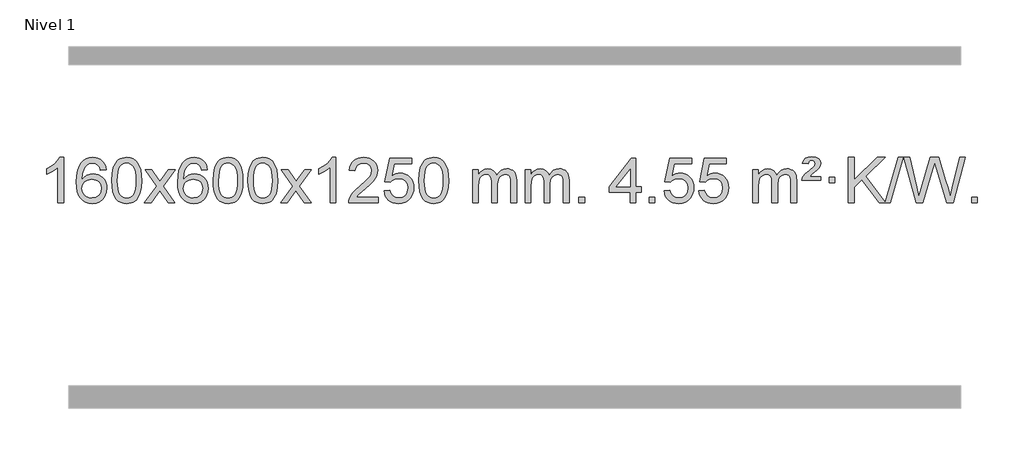
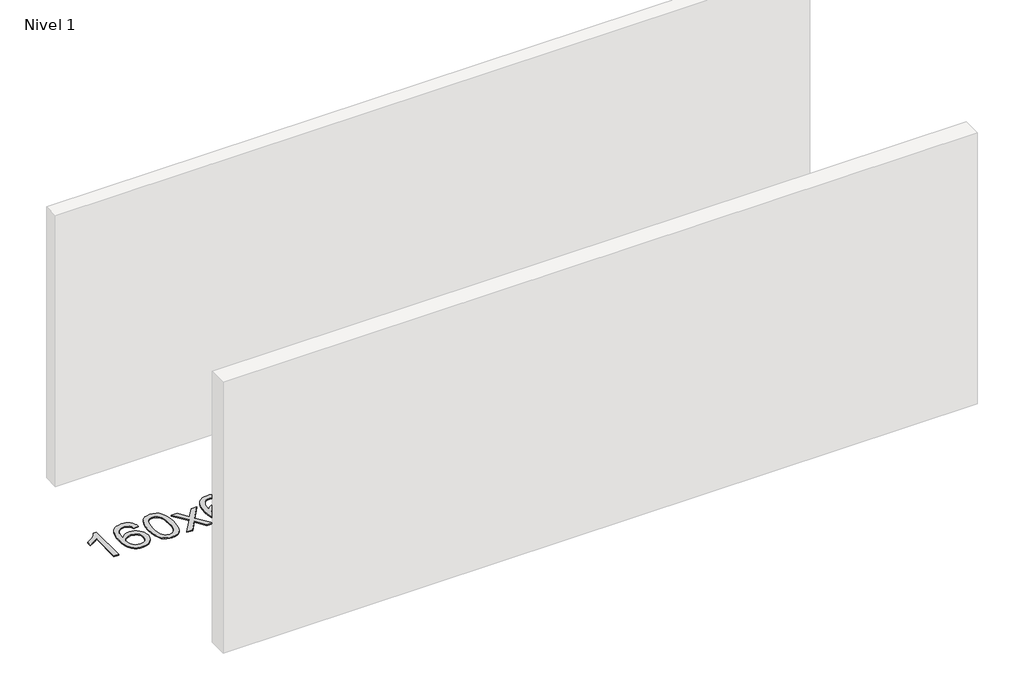
# One storey, part 4 of 12: 1 proxy.
"""IFC4 building model written with IfcOpenShell, lengths in millimetres."""

from ifc_helpers import new_model, si_unit, origin, origin_with_axes, place, context, project, spatial, polyline, outline, extrude, element, save

model = new_model("IFC4")

# Units and contexts
model_context = context("Model", 3, world=origin())
ifc_project = project(units=[si_unit("LENGTHUNIT", "METRE", prefix="MILLI")], contexts=[model_context])

# Site, building, storey
site = spatial("IfcSite", under=ifc_project)
building = spatial("IfcBuilding", under=site)
storey = spatial("IfcBuildingStorey", under=building, Name="Nivel 1", Elevation=0.0)

# Proxy
placement = place(None, origin())
element("IfcBuildingElementProxy", 1, Name="Texto de modelo 1", ObjectType="Texto de modelo 1", at=placement, inside=storey, context=model_context, shape_type="SweptSolid", body=[
    extrude(outline(polyline([(-6575.4615788, -21411.579453), (-6625.6897338, -21411.579453), (-6625.6897338, -21098.4382987), (-6646.6590076, -21115.3976587), (-6673.2691385, -21132.3324932), (-6726.146044, -21157.6918254), (-6726.146044, -21110.2105225), (-6686.6968314, -21088.7507395), (-6652.520594, -21063.219729), (-6625.5793692, -21036.0700378), (-6607.8351943, -21009.7542124), (-6575.4615788, -21009.7542124), (-6575.4615788, -21411.579453)])), origin_with_axes(), (0.0, 0.0, 1.0), 10.0),
    extrude(outline(polyline([(-6198.7504157, -21116.4890419), (-6248.9785708, -21122.7675613), (-6257.0719747, -21097.874213), (-6268.0103327, -21080.8780648), (-6290.7944909, -21065.2062918), (-6318.3365896, -21059.9823675), (-6341.6848336, -21063.0235253), (-6363.6596514, -21072.1469988), (-6382.5319978, -21091.3627017), (-6397.9462534, -21117.8134171), (-6408.3573138, -21155.227016), (-6412.2200748, -21207.3313693), (-6392.0724042, -21183.8237098), (-6367.9270826, -21167.2567573), (-6341.1330106, -21157.434308), (-6313.0390889, -21154.1601582), (-6288.90603, -21156.398107), (-6266.6369065, -21163.1119534), (-6246.2317185, -21174.3016975), (-6227.690466, -21189.9673391), (-6212.2823418, -21209.1769106), (-6201.2765387, -21230.9984443), (-6194.6730569, -21255.4319401), (-6192.4718963, -21282.4773982), (-6196.6167001, -21318.4439945), (-6209.0511116, -21351.786366), (-6228.745061, -21380.0642287), (-6254.668479, -21400.8372987), (-6285.644143, -21413.602804), (-6320.4948306, -21417.8579724), (-6350.4373594, -21415.0375437), (-6377.4797517, -21406.5762579), (-6401.6220076, -21392.4741147), (-6422.8641272, -21372.7311143), (-6440.1821721, -21346.5133908), (-6452.5522042, -21312.9870783), (-6459.9742234, -21272.1521768), (-6462.4482298, -21224.0086864), (-6459.7013776, -21170.0342663), (-6451.4608209, -21123.9693092), (-6437.7265598, -21085.8138149), (-6418.4985942, -21055.5677835), (-6397.6580791, -21035.5243462), (-6373.4943634, -21021.2076052), (-6346.007447, -21012.6175606), (-6315.1973299, -21009.7542124), (-6292.0636838, -21011.5261773), (-6271.1250669, -21016.8420722), (-6252.3814792, -21025.7018969), (-6235.8329208, -21038.1056515), (-6221.9269814, -21053.6364031), (-6211.1112507, -21071.8772186), (-6203.3857288, -21092.8280983), (-6198.7504157, -21116.4890419)]), holes=[polyline([(-6412.2200748, -21281.6925832), (-6409.313807, -21303.9494439), (-6400.5950037, -21325.2007605), (-6387.0569463, -21343.472233), (-6369.6929161, -21356.7895612), (-6348.7359051, -21364.9197533), (-6324.4189053, -21367.6298173), (-6291.2727375, -21362.0134855), (-6277.357601, -21354.9930708), (-6265.2144295, -21345.1644901), (-6255.3643891, -21332.9262824), (-6248.3286459, -21318.6769865), (-6242.7000514, -21284.1451299), (-6248.2550695, -21250.9989621), (-6255.1988422, -21237.3781312), (-6264.9201239, -21225.725469), (-6277.1000836, -21216.3904634), (-6291.4198903, -21209.7226022), (-6326.4790444, -21204.3883133), (-6359.5761613, -21209.7226022), (-6387.25315, -21225.725469), (-6398.1761796, -21237.2248471), (-6405.9783436, -21250.3858254), (-6410.659642, -21265.2084042), (-6412.2200748, -21281.6925832)])]), origin_with_axes(), (0.0, 0.0, 1.0), 10.0),
    extrude(outline(polyline([(-6148.5222606, -21213.9041943), (-6144.8311779, -21149.5861588), (-6133.7579299, -21098.2911459), (-6115.4128811, -21059.2343407), (-6103.5548181, -21044.0009605), (-6089.9063961, -21031.6309284), (-6074.4216298, -21022.0598651), (-6057.0545339, -21015.2233914), (-6016.6733536, -21009.7542124), (-5985.722215, -21012.991574), (-5958.0084381, -21022.7036586), (-5934.8318724, -21038.5103217), (-5917.4923677, -21060.0314184), (-5904.3957686, -21087.0830078), (-5893.94792, -21119.4811488), (-5887.1053149, -21160.6226186), (-5884.8244465, -21213.9041943), (-5888.478741, -21277.8543477), (-5899.4416244, -21329.0267333), (-5917.6763087, -21368.1203266), (-5929.5067805, -21383.3996922), (-5943.1460055, -21395.8341036), (-5958.6491659, -21405.4695462), (-5976.071444, -21412.3520052), (-6016.6733536, -21417.8579724), (-6044.3380796, -21415.4667394), (-6068.8635459, -21408.2930405), (-6090.2497526, -21396.3368757), (-6108.4966996, -21379.5982449), (-6126.0078825, -21349.3399508), (-6138.5158704, -21311.6381776), (-6146.0206631, -21266.4929255), (-6148.5222606, -21213.9041943)]), holes=[polyline([(-6098.2941056, -21213.8060924), (-6096.8225776, -21257.4706195), (-6092.4079936, -21292.8148822), (-6085.0503537, -21319.8388804), (-6074.7496579, -21338.5426142), (-6062.290721, -21351.2682656), (-6048.4583579, -21360.3580165), (-6033.2525688, -21365.8118671), (-6016.6733536, -21367.6298173), (-6000.0941383, -21365.8057357), (-5984.8883492, -21360.3334911), (-5971.0559862, -21351.2130833), (-5958.5970493, -21338.4445124), (-5948.2963534, -21319.7101217), (-5940.9387135, -21292.6922549), (-5936.5241295, -21257.3909118), (-5935.0526016, -21213.8060924), (-5936.4750786, -21171.2973278), (-5940.7425098, -21136.5753989), (-5947.854895, -21109.6403055), (-5957.8122343, -21090.4920476), (-5970.0627048, -21077.1440625), (-5984.0544833, -21067.6097875), (-5999.78757, -21061.8892225), (-6017.2619648, -21059.9823675), (-6033.7553409, -21061.6623619), (-6048.7036126, -21066.7023452), (-6062.10678, -21075.1023175), (-6073.9648429, -21086.8622786), (-6084.6088953, -21107.708925), (-6092.2117899, -21135.8151094), (-6096.7735266, -21171.1808319), (-6098.2941056, -21213.8060924)])]), origin_with_axes(), (0.0, 0.0, 1.0), 10.0),
    extrude(outline(polyline([(-5859.7103689, -21411.579453), (-5752.3869282, -21263.2494325), (-5853.4318496, -21116.4890419), (-5793.0011005, -21116.4890419), (-5744.2444734, -21187.122385), (-5721.4848406, -21220.4770192), (-5701.7663657, -21193.2047007), (-5646.2407099, -21116.4890419), (-5585.8099608, -21116.4890419), (-5691.9561791, -21263.2494325), (-5589.7340354, -21411.579453), (-5650.1647845, -21411.579453), (-5711.6746541, -21322.4048574), (-5722.9563686, -21306.1199477), (-5799.2796199, -21411.579453), (-5859.7103689, -21411.579453)])), origin_with_axes(), (0.0, 0.0, 1.0), 10.0),
    extrude(outline(polyline([(-5300.9221437, -21116.4890419), (-5351.1502988, -21122.7675613), (-5359.2437027, -21097.874213), (-5370.1820607, -21080.8780648), (-5392.9662189, -21065.2062918), (-5420.5083176, -21059.9823675), (-5443.8565616, -21063.0235253), (-5465.8313794, -21072.1469988), (-5484.7037258, -21091.3627017), (-5500.1179814, -21117.8134171), (-5510.5290419, -21155.227016), (-5514.3918028, -21207.3313693), (-5494.2441322, -21183.8237098), (-5470.0988106, -21167.2567573), (-5443.3047386, -21157.434308), (-5415.2108169, -21154.1601582), (-5391.077758, -21156.398107), (-5368.8086346, -21163.1119534), (-5348.4034466, -21174.3016975), (-5329.862194, -21189.9673391), (-5314.4540698, -21209.1769106), (-5303.4482668, -21230.9984443), (-5296.844785, -21255.4319401), (-5294.6436244, -21282.4773982), (-5298.7884282, -21318.4439945), (-5311.2228396, -21351.786366), (-5330.9167891, -21380.0642287), (-5356.840207, -21400.8372987), (-5387.815871, -21413.602804), (-5422.6665587, -21417.8579724), (-5452.6090874, -21415.0375437), (-5479.6514797, -21406.5762579), (-5503.7937357, -21392.4741147), (-5525.0358552, -21372.7311143), (-5542.3539001, -21346.5133908), (-5554.7239322, -21312.9870783), (-5562.1459515, -21272.1521768), (-5564.6199579, -21224.0086864), (-5561.8731057, -21170.0342663), (-5553.632549, -21123.9693092), (-5539.8982878, -21085.8138149), (-5520.6703222, -21055.5677835), (-5499.8298072, -21035.5243462), (-5475.6660915, -21021.2076052), (-5448.179175, -21012.6175606), (-5417.3690579, -21009.7542124), (-5394.2354118, -21011.5261773), (-5373.2967949, -21016.8420722), (-5354.5532073, -21025.7018969), (-5338.0046489, -21038.1056515), (-5324.0987094, -21053.6364031), (-5313.2829788, -21071.8772186), (-5305.5574569, -21092.8280983), (-5300.9221437, -21116.4890419)]), holes=[polyline([(-5514.3918028, -21281.6925832), (-5511.485535, -21303.9494439), (-5502.7667318, -21325.2007605), (-5489.2286743, -21343.472233), (-5471.8646442, -21356.7895612), (-5450.9076332, -21364.9197533), (-5426.5906333, -21367.6298173), (-5393.4444655, -21362.0134855), (-5379.5293291, -21354.9930708), (-5367.3861575, -21345.1644901), (-5357.5361171, -21332.9262824), (-5350.500374, -21318.6769865), (-5344.8717794, -21284.1451299), (-5350.4267976, -21250.9989621), (-5357.3705702, -21237.3781312), (-5367.0918519, -21225.725469), (-5379.2718117, -21216.3904634), (-5393.5916183, -21209.7226022), (-5428.6507725, -21204.3883133), (-5461.7478893, -21209.7226022), (-5489.4248781, -21225.725469), (-5500.3479076, -21237.2248471), (-5508.1500716, -21250.3858254), (-5512.83137, -21265.2084042), (-5514.3918028, -21281.6925832)])]), origin_with_axes(), (0.0, 0.0, 1.0), 10.0),
    extrude(outline(polyline([(-5250.6939887, -21213.9041943), (-5247.002906, -21149.5861588), (-5235.9296579, -21098.2911459), (-5217.5846091, -21059.2343407), (-5205.7265461, -21044.0009605), (-5192.0781241, -21031.6309284), (-5176.5933578, -21022.0598651), (-5159.2262619, -21015.2233914), (-5118.8450816, -21009.7542124), (-5087.8939431, -21012.991574), (-5060.1801661, -21022.7036586), (-5037.0036004, -21038.5103217), (-5019.6640957, -21060.0314184), (-5006.5674967, -21087.0830078), (-4996.119648, -21119.4811488), (-4989.2770429, -21160.6226186), (-4986.9961745, -21213.9041943), (-4990.650469, -21277.8543477), (-5001.6133525, -21329.0267333), (-5019.8480367, -21368.1203266), (-5031.6785085, -21383.3996922), (-5045.3177335, -21395.8341036), (-5060.8208939, -21405.4695462), (-5078.2431721, -21412.3520052), (-5118.8450816, -21417.8579724), (-5146.5098076, -21415.4667394), (-5171.035274, -21408.2930405), (-5192.4214806, -21396.3368757), (-5210.6684276, -21379.5982449), (-5228.1796106, -21349.3399508), (-5240.6875984, -21311.6381776), (-5248.1923911, -21266.4929255), (-5250.6939887, -21213.9041943)]), holes=[polyline([(-5200.4658336, -21213.8060924), (-5198.9943056, -21257.4706195), (-5194.5797217, -21292.8148822), (-5187.2220818, -21319.8388804), (-5176.9213859, -21338.5426142), (-5164.462449, -21351.2682656), (-5150.630086, -21360.3580165), (-5135.4242968, -21365.8118671), (-5118.8450816, -21367.6298173), (-5102.2658663, -21365.8057357), (-5087.0600772, -21360.3334911), (-5073.2277142, -21351.2130833), (-5060.7687773, -21338.4445124), (-5050.4680814, -21319.7101217), (-5043.1104415, -21292.6922549), (-5038.6958576, -21257.3909118), (-5037.2243296, -21213.8060924), (-5038.6468066, -21171.2973278), (-5042.9142378, -21136.5753989), (-5050.026623, -21109.6403055), (-5059.9839624, -21090.4920476), (-5072.2344328, -21077.1440625), (-5086.2262114, -21067.6097875), (-5101.959298, -21061.8892225), (-5119.4336928, -21059.9823675), (-5135.9270689, -21061.6623619), (-5150.8753406, -21066.7023452), (-5164.278508, -21075.1023175), (-5176.136571, -21086.8622786), (-5186.7806234, -21107.708925), (-5194.3835179, -21135.8151094), (-5198.9452547, -21171.1808319), (-5200.4658336, -21213.8060924)])]), origin_with_axes(), (0.0, 0.0, 1.0), 10.0),
    extrude(outline(polyline([(-4943.0465388, -21213.9041943), (-4939.3554561, -21149.5861588), (-4928.2822081, -21098.2911459), (-4909.9371593, -21059.2343407), (-4898.0790963, -21044.0009605), (-4884.4306743, -21031.6309284), (-4868.945908, -21022.0598651), (-4851.5788121, -21015.2233914), (-4811.1976318, -21009.7542124), (-4780.2464932, -21012.991574), (-4752.5327163, -21022.7036586), (-4729.3561506, -21038.5103217), (-4712.0166459, -21060.0314184), (-4698.9200468, -21087.0830078), (-4688.4721982, -21119.4811488), (-4681.6295931, -21160.6226186), (-4679.3487247, -21213.9041943), (-4683.0030192, -21277.8543477), (-4693.9659026, -21329.0267333), (-4712.2005869, -21368.1203266), (-4724.0310587, -21383.3996922), (-4737.6702837, -21395.8341036), (-4753.1734441, -21405.4695462), (-4770.5957222, -21412.3520052), (-4811.1976318, -21417.8579724), (-4838.8623578, -21415.4667394), (-4863.3878241, -21408.2930405), (-4884.7740308, -21396.3368757), (-4903.0209778, -21379.5982449), (-4920.5321607, -21349.3399508), (-4933.0401486, -21311.6381776), (-4940.5449413, -21266.4929255), (-4943.0465388, -21213.9041943)]), holes=[polyline([(-4892.8183838, -21213.8060924), (-4891.3468558, -21257.4706195), (-4886.9322718, -21292.8148822), (-4879.5746319, -21319.8388804), (-4869.2739361, -21338.5426142), (-4856.8149992, -21351.2682656), (-4842.9826361, -21360.3580165), (-4827.776847, -21365.8118671), (-4811.1976318, -21367.6298173), (-4794.6184165, -21365.8057357), (-4779.4126274, -21360.3334911), (-4765.5802644, -21351.2130833), (-4753.1213275, -21338.4445124), (-4742.8206316, -21319.7101217), (-4735.4629917, -21292.6922549), (-4731.0484077, -21257.3909118), (-4729.5768798, -21213.8060924), (-4730.9993568, -21171.2973278), (-4735.266788, -21136.5753989), (-4742.3791732, -21109.6403055), (-4752.3365125, -21090.4920476), (-4764.586983, -21077.1440625), (-4778.5787615, -21067.6097875), (-4794.3118482, -21061.8892225), (-4811.786243, -21059.9823675), (-4828.2796191, -21061.6623619), (-4843.2278908, -21066.7023452), (-4856.6310582, -21075.1023175), (-4868.4891211, -21086.8622786), (-4879.1331735, -21107.708925), (-4886.7360681, -21135.8151094), (-4891.2978048, -21171.1808319), (-4892.8183838, -21213.8060924)])]), origin_with_axes(), (0.0, 0.0, 1.0), 10.0),
    extrude(outline(polyline([(-4654.2346472, -21411.579453), (-4546.9112064, -21263.2494325), (-4647.9561278, -21116.4890419), (-4587.5253787, -21116.4890419), (-4538.7687516, -21187.122385), (-4516.0091188, -21220.4770192), (-4496.2906439, -21193.2047007), (-4440.7649881, -21116.4890419), (-4380.334239, -21116.4890419), (-4486.4804574, -21263.2494325), (-4384.2583136, -21411.579453), (-4444.6890627, -21411.579453), (-4506.1989323, -21322.4048574), (-4517.4806468, -21306.1199477), (-4593.8038981, -21411.579453), (-4654.2346472, -21411.579453)])), origin_with_axes(), (0.0, 0.0, 1.0), 10.0),
    extrude(outline(polyline([(-4164.5101352, -21411.579453), (-4214.7382902, -21411.579453), (-4214.7382902, -21098.4382987), (-4235.707564, -21115.3976587), (-4262.317695, -21132.3324932), (-4315.1946004, -21157.6918254), (-4315.1946004, -21110.2105225), (-4275.7453878, -21088.7507395), (-4241.5691504, -21063.219729), (-4214.6279257, -21036.0700378), (-4196.8837508, -21009.7542124), (-4164.5101352, -21009.7542124), (-4164.5101352, -21411.579453)])), origin_with_axes(), (0.0, 0.0, 1.0), 10.0),
    extrude(outline(polyline([(-3787.7989721, -21361.3512979), (-3787.7989721, -21411.579453), (-4051.4967863, -21411.579453), (-4050.3931403, -21393.8965918), (-4046.1011837, -21376.9494945), (-4033.7158232, -21349.8856424), (-4015.5915035, -21323.6311307), (-3989.37378, -21296.1503456), (-3952.7082078, -21265.4076736), (-3898.5069272, -21217.2641831), (-3865.9861588, -21181.7267824), (-3849.7257746, -21152.884834), (-3844.3056466, -21124.8277005), (-3849.4192063, -21099.6768347), (-3864.7598855, -21078.7688747), (-3888.3411214, -21064.6789943), (-3918.1763512, -21059.9823675), (-3949.5076345, -21064.5686297), (-3973.8491598, -21078.3274163), (-3989.557721, -21100.1796068), (-3994.9901118, -21129.0460807), (-4045.2182669, -21122.7675613), (-4040.8987191, -21096.838012), (-4033.0413728, -21074.1826125), (-4021.646228, -21054.8013627), (-4006.7132847, -21038.6942627), (-3988.5858994, -21026.0329907), (-3967.6074286, -21016.989225), (-3943.7778724, -21011.5629655), (-3917.0972307, -21009.7542124), (-3890.1774657, -21011.7653006), (-3866.2191508, -21017.7985654), (-3845.2222859, -21027.8540066), (-3827.1868711, -21041.9316242), (-3812.7015175, -21058.9890861), (-3802.3548364, -21077.9840598), (-3796.1468277, -21098.9165453), (-3794.0774915, -21121.7865427), (-3796.3093089, -21145.8092369), (-3803.0047612, -21169.4149983), (-3814.8873497, -21193.4254299), (-3832.6805755, -21218.6621347), (-3861.0442774, -21248.7916701), (-3904.6382938, -21287.4805933), (-3962.4202925, -21335.795762), (-3985.0818234, -21361.3512979), (-3787.7989721, -21361.3512979)])), origin_with_axes(), (0.0, 0.0, 1.0), 10.0),
    extrude(outline(polyline([(-3737.570817, -21304.8446235), (-3687.342662, -21298.5661041), (-3678.1210866, -21328.7201649), (-3662.0323807, -21350.3148381), (-3639.1501206, -21363.3010725), (-3609.5478827, -21367.6298173), (-3590.418019, -21366.1245668), (-3573.5444981, -21361.6088153), (-3558.9273202, -21354.0825628), (-3546.5664851, -21343.5458094), (-3536.7379045, -21330.519721), (-3529.7174898, -21315.5254641), (-3524.101158, -21279.6324441), (-3529.3618705, -21245.8363514), (-3535.9377612, -21231.9181493), (-3545.1440081, -21219.9865099), (-3557.0112681, -21210.4154467), (-3571.5701981, -21203.5789729), (-3608.7630678, -21198.1097939), (-3633.1291186, -21200.2925604), (-3652.8598563, -21206.8408599), (-3668.6174684, -21216.8717757), (-3681.0641426, -21229.5023908), (-3731.2922977, -21223.2238715), (-3687.342662, -21016.0327318), (-3492.708561, -21016.0327318), (-3492.708561, -21066.2608869), (-3646.7284897, -21066.2608869), (-3668.2127982, -21176.919791), (-3650.4870174, -21164.2155994), (-3632.332041, -21155.1411769), (-3613.7478688, -21149.6965234), (-3594.734501, -21147.8816388), (-3570.273414, -21150.1318504), (-3547.8050212, -21156.882485), (-3527.3293225, -21168.1335427), (-3508.8463179, -21183.8850234), (-3493.5454926, -21203.1743027), (-3482.6163316, -21225.038756), (-3476.0588351, -21249.4783832), (-3473.8730029, -21276.4931844), (-3475.8411716, -21302.5147042), (-3481.7456776, -21326.7213394), (-3491.586521, -21349.1130902), (-3505.3637017, -21369.6899565), (-3526.2348735, -21390.7634634), (-3550.5886616, -21405.8159684), (-3578.4250659, -21414.8474714), (-3609.7440864, -21417.8579724), (-3635.6644387, -21415.9235262), (-3659.077062, -21410.1201877), (-3679.9819564, -21400.447957), (-3698.3791218, -21386.9068338), (-3713.6860785, -21370.1712688), (-3725.3203466, -21350.915712), (-3733.2819261, -21329.1401636), (-3737.570817, -21304.8446235)])), origin_with_axes(), (0.0, 0.0, 1.0), 10.0),
    extrude(outline(polyline([(-3429.9233672, -21213.9041943), (-3426.2322845, -21149.5861588), (-3415.1590365, -21098.2911459), (-3396.8139876, -21059.2343407), (-3384.9559247, -21044.0009605), (-3371.3075026, -21031.6309284), (-3355.8227363, -21022.0598651), (-3338.4556405, -21015.2233914), (-3298.0744601, -21009.7542124), (-3267.1233216, -21012.991574), (-3239.4095446, -21022.7036586), (-3216.2329789, -21038.5103217), (-3198.8934742, -21060.0314184), (-3185.7968752, -21087.0830078), (-3175.3490265, -21119.4811488), (-3168.5064214, -21160.6226186), (-3166.2255531, -21213.9041943), (-3169.8798475, -21277.8543477), (-3180.842731, -21329.0267333), (-3199.0774152, -21368.1203266), (-3210.9078871, -21383.3996922), (-3224.547112, -21395.8341036), (-3240.0502724, -21405.4695462), (-3257.4725506, -21412.3520052), (-3298.0744601, -21417.8579724), (-3325.7391862, -21415.4667394), (-3350.2646525, -21408.2930405), (-3371.6508592, -21396.3368757), (-3389.8978061, -21379.5982449), (-3407.4089891, -21349.3399508), (-3419.9169769, -21311.6381776), (-3427.4217696, -21266.4929255), (-3429.9233672, -21213.9041943)]), holes=[polyline([(-3379.6952121, -21213.8060924), (-3378.2236842, -21257.4706195), (-3373.8091002, -21292.8148822), (-3366.4514603, -21319.8388804), (-3356.1507644, -21338.5426142), (-3343.6918275, -21351.2682656), (-3329.8594645, -21360.3580165), (-3314.6536754, -21365.8118671), (-3298.0744601, -21367.6298173), (-3281.4952449, -21365.8057357), (-3266.2894558, -21360.3334911), (-3252.4570927, -21351.2130833), (-3239.9981558, -21338.4445124), (-3229.69746, -21319.7101217), (-3222.3398201, -21292.6922549), (-3217.9252361, -21257.3909118), (-3216.4537081, -21213.8060924), (-3217.8761852, -21171.2973278), (-3222.1436163, -21136.5753989), (-3229.2560016, -21109.6403055), (-3239.2133409, -21090.4920476), (-3251.4638113, -21077.1440625), (-3265.4555899, -21067.6097875), (-3281.1886766, -21061.8892225), (-3298.6630713, -21059.9823675), (-3315.1564474, -21061.6623619), (-3330.1047192, -21066.7023452), (-3343.5078865, -21075.1023175), (-3355.3659495, -21086.8622786), (-3366.0100019, -21107.708925), (-3373.6128965, -21135.8151094), (-3378.1746332, -21171.1808319), (-3379.6952121, -21213.8060924)])]), origin_with_axes(), (0.0, 0.0, 1.0), 10.0),
    extrude(outline(polyline([(-2952.755894, -21411.579453), (-2952.755894, -21116.4890419), (-2902.5277389, -21116.4890419), (-2902.5277389, -21165.0494653), (-2887.4200517, -21142.7435537), (-2867.9958823, -21125.2691589), (-2844.9174185, -21113.9751816), (-2818.8468478, -21110.2105225), (-2790.9123416, -21114.048758), (-2768.5205908, -21125.5634645), (-2751.7942228, -21143.9943524), (-2740.8558648, -21168.5811324), (-2722.5476041, -21143.0439906), (-2701.6641696, -21124.803175), (-2678.205561, -21113.8586857), (-2652.1717785, -21110.2105225), (-2632.0639617, -21111.7280358), (-2614.414823, -21116.2805755), (-2599.2243623, -21123.8681416), (-2586.4925796, -21134.4907342), (-2576.4279413, -21148.2709806), (-2569.238914, -21165.3315082), (-2564.9254976, -21185.6723168), (-2563.4876922, -21209.2934066), (-2563.4876922, -21411.579453), (-2613.7158472, -21411.579453), (-2613.7158472, -21230.875817), (-2614.8808069, -21205.8230531), (-2618.3756858, -21188.9372695), (-2624.9239854, -21177.3735121), (-2635.2492067, -21168.2868268), (-2648.5297467, -21162.4007149), (-2663.9440023, -21160.4386776), (-2691.1550072, -21165.4663982), (-2713.3382915, -21180.54956), (-2721.9436645, -21192.1194488), (-2728.0903595, -21206.7182326), (-2733.0077155, -21245.0024856), (-2733.0077155, -21411.579453), (-2783.2358706, -21411.579453), (-2783.2358706, -21225.2840106), (-2786.1421384, -21196.8835206), (-2794.8609417, -21176.6254854), (-2810.2016209, -21164.4853796), (-2832.9735164, -21160.4386776), (-2852.3241093, -21163.1364789), (-2870.1541233, -21171.2298828), (-2884.8694032, -21184.5226856), (-2894.8757934, -21202.8186835), (-2900.6147525, -21228.2025411), (-2902.5277389, -21262.7589232), (-2902.5277389, -21411.579453), (-2952.755894, -21411.579453)])), origin_with_axes(), (0.0, 0.0, 1.0), 10.0),
    extrude(outline(polyline([(-2488.1454596, -21411.579453), (-2488.1454596, -21116.4890419), (-2437.9173045, -21116.4890419), (-2437.9173045, -21165.0494653), (-2422.8096172, -21142.7435537), (-2403.3854479, -21125.2691589), (-2380.306984, -21113.9751816), (-2354.2364133, -21110.2105225), (-2326.3019071, -21114.048758), (-2303.9101564, -21125.5634645), (-2287.1837883, -21143.9943524), (-2276.2454303, -21168.5811324), (-2257.9371697, -21143.0439906), (-2237.0537351, -21124.803175), (-2213.5951266, -21113.8586857), (-2187.561344, -21110.2105225), (-2167.4535273, -21111.7280358), (-2149.8043886, -21116.2805755), (-2134.6139279, -21123.8681416), (-2121.8821452, -21134.4907342), (-2111.8175069, -21148.2709806), (-2104.6284796, -21165.3315082), (-2100.3150632, -21185.6723168), (-2098.8772577, -21209.2934066), (-2098.8772577, -21411.579453), (-2149.1054128, -21411.579453), (-2149.1054128, -21230.875817), (-2150.2703724, -21205.8230531), (-2153.7652514, -21188.9372695), (-2160.3135509, -21177.3735121), (-2170.6387722, -21168.2868268), (-2183.9193123, -21162.4007149), (-2199.3335679, -21160.4386776), (-2226.5445728, -21165.4663982), (-2248.7278571, -21180.54956), (-2257.3332301, -21192.1194488), (-2263.4799251, -21206.7182326), (-2268.3972811, -21245.0024856), (-2268.3972811, -21411.579453), (-2318.6254362, -21411.579453), (-2318.6254362, -21225.2840106), (-2321.5317039, -21196.8835206), (-2330.2505072, -21176.6254854), (-2345.5911864, -21164.4853796), (-2368.3630819, -21160.4386776), (-2387.7136749, -21163.1364789), (-2405.5436889, -21171.2298828), (-2420.2589687, -21184.5226856), (-2430.265359, -21202.8186835), (-2436.0043181, -21228.2025411), (-2437.9173045, -21262.7589232), (-2437.9173045, -21411.579453), (-2488.1454596, -21411.579453)])), origin_with_axes(), (0.0, 0.0, 1.0), 10.0),
    extrude(outline(polyline([(-2010.9779863, -21411.579453), (-2010.9779863, -21361.3512979), (-1960.7498313, -21361.3512979), (-1960.7498313, -21411.579453), (-2010.9779863, -21411.579453)])), origin_with_axes(), (0.0, 0.0, 1.0), 10.0),
    extrude(outline(polyline([(-1558.9245907, -21411.579453), (-1558.9245907, -21317.4016622), (-1741.0016528, -21317.4016622), (-1741.0016528, -21267.1735072), (-1546.3675519, -21016.0327318), (-1508.6964356, -21016.0327318), (-1508.6964356, -21267.1735072), (-1458.4682805, -21267.1735072), (-1458.4682805, -21317.4016622), (-1508.6964356, -21317.4016622), (-1508.6964356, -21411.579453), (-1558.9245907, -21411.579453)]), holes=[polyline([(-1558.9245907, -21267.1735072), (-1558.9245907, -21111.9763561), (-1679.1974776, -21267.1735072), (-1558.9245907, -21267.1735072)])]), origin_with_axes(), (0.0, 0.0, 1.0), 10.0),
    extrude(outline(polyline([(-1389.4045673, -21411.579453), (-1389.4045673, -21361.3512979), (-1339.1764122, -21361.3512979), (-1339.1764122, -21411.579453), (-1389.4045673, -21411.579453)])), origin_with_axes(), (0.0, 0.0, 1.0), 10.0),
    extrude(outline(polyline([(-1257.5556602, -21304.8446235), (-1207.3275051, -21298.5661041), (-1198.1059298, -21328.7201649), (-1182.0172239, -21350.3148381), (-1159.1349638, -21363.3010725), (-1129.5327259, -21367.6298173), (-1110.4028621, -21366.1245668), (-1093.5293413, -21361.6088153), (-1078.9121634, -21354.0825628), (-1066.5513283, -21343.5458094), (-1056.7227477, -21330.519721), (-1049.7023329, -21315.5254641), (-1044.0860012, -21279.6324441), (-1049.3467137, -21245.8363514), (-1055.9226043, -21231.9181493), (-1065.1288513, -21219.9865099), (-1076.9961113, -21210.4154467), (-1091.5550413, -21203.5789729), (-1128.747911, -21198.1097939), (-1153.1139618, -21200.2925604), (-1172.8446995, -21206.8408599), (-1188.6023116, -21216.8717757), (-1201.0489858, -21229.5023908), (-1251.2771408, -21223.2238715), (-1207.3275051, -21016.0327318), (-1012.6934042, -21016.0327318), (-1012.6934042, -21066.2608869), (-1166.7133329, -21066.2608869), (-1188.1976414, -21176.919791), (-1170.4718606, -21164.2155994), (-1152.3168841, -21155.1411769), (-1133.732712, -21149.6965234), (-1114.7193442, -21147.8816388), (-1090.2582572, -21150.1318504), (-1067.7898644, -21156.882485), (-1047.3141657, -21168.1335427), (-1028.8311611, -21183.8850234), (-1013.5303358, -21203.1743027), (-1002.6011748, -21225.038756), (-996.0436783, -21249.4783832), (-993.8578461, -21276.4931844), (-995.8260148, -21302.5147042), (-1001.7305208, -21326.7213394), (-1011.5713641, -21349.1130902), (-1025.3485449, -21369.6899565), (-1046.2197167, -21390.7634634), (-1070.5735048, -21405.8159684), (-1098.4099091, -21414.8474714), (-1129.7289296, -21417.8579724), (-1155.6492819, -21415.9235262), (-1179.0619052, -21410.1201877), (-1199.9667996, -21400.447957), (-1218.363965, -21386.9068338), (-1233.6709217, -21370.1712688), (-1245.3051898, -21350.915712), (-1253.2667693, -21329.1401636), (-1257.5556602, -21304.8446235)])), origin_with_axes(), (0.0, 0.0, 1.0), 10.0),
    extrude(outline(polyline([(-949.9082104, -21304.8446235), (-899.6800553, -21298.5661041), (-890.45848, -21328.7201649), (-874.369774, -21350.3148381), (-851.4875139, -21363.3010725), (-821.8852761, -21367.6298173), (-802.7554123, -21366.1245668), (-785.8818915, -21361.6088153), (-771.2647135, -21354.0825628), (-758.9038785, -21343.5458094), (-749.0752979, -21330.519721), (-742.0548831, -21315.5254641), (-736.4385513, -21279.6324441), (-741.6992639, -21245.8363514), (-748.2751545, -21231.9181493), (-757.4814014, -21219.9865099), (-769.3486615, -21210.4154467), (-783.9075914, -21203.5789729), (-821.1004611, -21198.1097939), (-845.466512, -21200.2925604), (-865.1972496, -21206.8408599), (-880.9548618, -21216.8717757), (-893.4015359, -21229.5023908), (-943.629691, -21223.2238715), (-899.6800553, -21016.0327318), (-705.0459544, -21016.0327318), (-705.0459544, -21066.2608869), (-859.065883, -21066.2608869), (-880.5501916, -21176.919791), (-862.8244108, -21164.2155994), (-844.6694343, -21155.1411769), (-826.0852622, -21149.6965234), (-807.0718944, -21147.8816388), (-782.6108074, -21150.1318504), (-760.1424145, -21156.882485), (-739.6667158, -21168.1335427), (-721.1837113, -21183.8850234), (-705.8828859, -21203.1743027), (-694.953725, -21225.038756), (-688.3962284, -21249.4783832), (-686.2103962, -21276.4931844), (-688.1785649, -21302.5147042), (-694.0830709, -21326.7213394), (-703.9239143, -21349.1130902), (-717.701095, -21369.6899565), (-738.5722669, -21390.7634634), (-762.926055, -21405.8159684), (-790.7624593, -21414.8474714), (-822.0814798, -21417.8579724), (-848.001832, -21415.9235262), (-871.4144553, -21410.1201877), (-892.3193497, -21400.447957), (-910.7165152, -21386.9068338), (-926.0234719, -21370.1712688), (-937.6577399, -21350.915712), (-945.6193195, -21329.1401636), (-949.9082104, -21304.8446235)])), origin_with_axes(), (0.0, 0.0, 1.0), 10.0),
    extrude(outline(polyline([(-472.7407372, -21411.579453), (-472.7407372, -21116.4890419), (-422.5125821, -21116.4890419), (-422.5125821, -21165.0494653), (-407.4048948, -21142.7435537), (-387.9807255, -21125.2691589), (-364.9022617, -21113.9751816), (-338.8316909, -21110.2105225), (-310.8971848, -21114.048758), (-288.505434, -21125.5634645), (-271.7790659, -21143.9943524), (-260.840708, -21168.5811324), (-242.5324473, -21143.0439906), (-221.6490127, -21124.803175), (-198.1904042, -21113.8586857), (-172.1566217, -21110.2105225), (-152.0488049, -21111.7280358), (-134.3996662, -21116.2805755), (-119.2092055, -21123.8681416), (-106.4774228, -21134.4907342), (-96.4127845, -21148.2709806), (-89.2237572, -21165.3315082), (-84.9103408, -21185.6723168), (-83.4725353, -21209.2934066), (-83.4725353, -21411.579453), (-133.7006904, -21411.579453), (-133.7006904, -21230.875817), (-134.8656501, -21205.8230531), (-138.360529, -21188.9372695), (-144.9088285, -21177.3735121), (-155.2340499, -21168.2868268), (-168.5145899, -21162.4007149), (-183.9288455, -21160.4386776), (-211.1398504, -21165.4663982), (-233.3231347, -21180.54956), (-241.9285077, -21192.1194488), (-248.0752027, -21206.7182326), (-252.9925587, -21245.0024856), (-252.9925587, -21411.579453), (-303.2207138, -21411.579453), (-303.2207138, -21225.2840106), (-306.1269816, -21196.8835206), (-314.8457848, -21176.6254854), (-330.186464, -21164.4853796), (-352.9583595, -21160.4386776), (-372.3089525, -21163.1364789), (-390.1389665, -21171.2298828), (-404.8542463, -21184.5226856), (-414.8606366, -21202.8186835), (-420.5995957, -21228.2025411), (-422.5125821, -21262.7589232), (-422.5125821, -21411.579453), (-472.7407372, -21411.579453)])), origin_with_axes(), (0.0, 0.0, 1.0), 10.0),
    extrude(outline(polyline([(-39.5228997, -21210.6668327), (-35.6969269, -21194.8479069), (-27.3582683, -21178.9799302), (-5.8494344, -21153.8413272), (26.1072483, -21126.1030247), (70.2530877, -21088.726214), (77.3899984, -21077.1992448), (79.7689686, -21065.3779701), (77.8805077, -21053.2869152), (72.215125, -21043.5012541), (62.8463969, -21037.026531), (49.8478997, -21034.8682899), (37.4134883, -21036.4869707), (28.5597949, -21041.343013), (22.1341227, -21050.8098431), (16.9837748, -21066.2608869), (-33.2443803, -21059.9823675), (-22.4041241, -21034.7701881), (-5.775858, -21017.2099542), (17.9893189, -21006.9092583), (50.2403072, -21003.475693), (86.0229626, -21007.6082341), (110.7691581, -21020.0058573), (125.1901323, -21038.3386434), (129.9971237, -21060.2766731), (125.9013708, -21083.1834586), (113.6141122, -21104.8149199), (93.0862969, -21124.6314968), (56.6169284, -21152.6886303), (31.0123416, -21179.2742358), (129.9971237, -21179.2742358), (129.9971237, -21210.6668327), (-39.5228997, -21210.6668327)])), origin_with_axes(), (0.0, 0.0, 1.0), 10.0),
    extrude(outline(polyline([(205.3393563, -21235.7809102), (205.3393563, -21185.5527552), (255.5675114, -21185.5527552), (255.5675114, -21235.7809102), (205.3393563, -21235.7809102)])), origin_with_axes(), (0.0, 0.0, 1.0), 10.0),
    extrude(outline(polyline([(646.2091394, -21411.579453), (492.7778219, -21208.9009991), (425.0875348, -21273.4520265), (425.0875348, -21411.579453), (374.8593797, -21411.579453), (374.8593797, -21009.7542124), (425.0875348, -21009.7542124), (425.0875348, -21206.4484525), (631.1014521, -21009.7542124), (701.3423877, -21009.7542124), (528.388799, -21174.9577537), (703.0424089, -21405.5349332), (814.3557366, -21009.7542124), (859.6787984, -21009.7542124), (746.6654495, -21411.579453), (707.6209071, -21411.579453), (701.3423877, -21411.579453), (646.2091394, -21411.579453)])), origin_with_axes(), (0.0, 0.0, 1.0), 10.0),
    extrude(outline(polyline([(974.1636753, -21411.579453), (864.5838917, -21009.7542124), (916.3816766, -21009.7542124), (979.9516854, -21273.844434), (999.5720585, -21355.3670841), (1020.5658576, -21283.2622131), (1100.2245723, -21009.7542124), (1174.8800919, -21009.7542124), (1232.7601925, -21208.0180823), (1257.5554389, -21281.5944814), (1275.8269114, -21355.3670841), (1294.8586732, -21276.1988788), (1359.0172932, -21009.7542124), (1410.8150781, -21009.7542124), (1301.1371926, -21411.579453), (1247.4754723, -21411.579453), (1151.1394405, -21101.5775584), (1137.6994849, -21058.3146358), (1122.5917976, -21110.4067263), (1034.7906281, -21411.579453), (974.1636753, -21411.579453)])), origin_with_axes(), (0.0, 0.0, 1.0), 10.0),
    extrude(outline(polyline([(1467.3217526, -21411.579453), (1467.3217526, -21361.3512979), (1517.5499077, -21361.3512979), (1517.5499077, -21411.579453), (1467.3217526, -21411.579453)])), origin_with_axes(), (0.0, 0.0, 1.0), 10.0),
])

save(model, "model.ifc")
